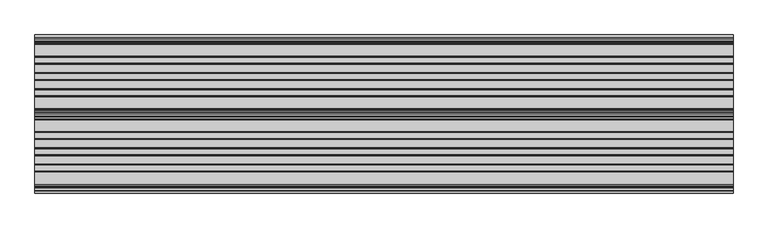
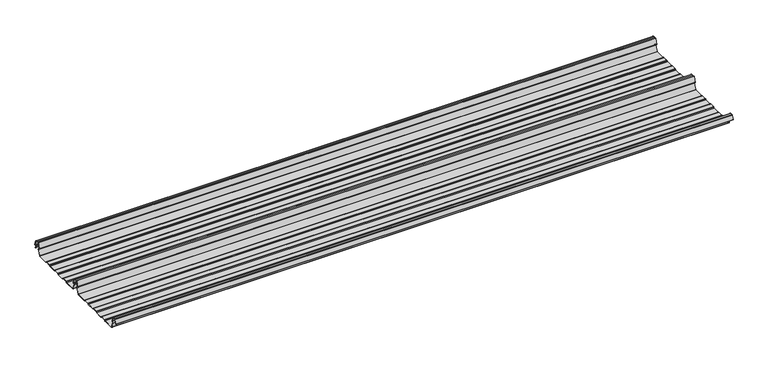
"""IFC4 building model written with IfcOpenShell, lengths in millimetres: beam geometry."""

from ifc_helpers import new_model, si_unit, point, frame, frame_2d, origin, place, context, project, spatial, polyline, circle_curve, trimmed, segment, composite_curve, outline, extrude, source, transform, mapped, element, save


def beam_aa751fea(model_context):
    return source(origin(), model_context, "Body", "SweptSolid", [
        extrude(outline(composite_curve([segment(trimmed(circle_curve(frame_2d((-231.1362436, -24.0396475)), 1.75), [point((-231.1362436, -25.7896475))], [point((-232.7807057, -24.6381827))], False, "CARTESIAN"), True, "CONTINUOUS"), segment(polyline([(-232.7807057, -24.6381827), (-241.6888002, -2.1633943)]), True, "CONTINUOUS"), segment(trimmed(circle_curve(frame_2d((-240.0443381, -1.5648591)), 1.75), [point((-241.6888002, -2.1633943))], [point((-240.4972714, 0.1255111))], False, "CARTESIAN"), True, "CONTINUOUS"), segment(polyline([(-240.4972714, 0.1255111), (-237.8419476, 0.837003)]), True, "CONTINUOUS"), segment(trimmed(circle_curve(frame_2d((-238.1654714, 2.0444103)), 1.25), [point((-237.8419476, 0.837003))], [point((-236.9908556, 2.4719355))], True, "CARTESIAN"), True, "CONTINUOUS"), segment(polyline([(-236.9908556, 2.4719355), (-243.8110817, 21.2103525), (-250.0, 21.2103525), (-256.1889183, 21.2103525), (-263.0091444, 2.4719355)]), True, "CONTINUOUS"), segment(trimmed(circle_curve(frame_2d((-261.8345286, 2.0444103)), 1.25), [point((-263.0091444, 2.4719355))], [point((-262.1580524, 0.837003))], True, "CARTESIAN"), True, "CONTINUOUS"), segment(polyline([(-262.1580524, 0.837003), (-259.5027286, 0.1255111)]), True, "CONTINUOUS"), segment(trimmed(circle_curve(frame_2d((-259.9556619, -1.5648591)), 1.75), [point((-259.5027286, 0.1255111))], [point((-258.3111998, -2.1633943))], False, "CARTESIAN"), True, "CONTINUOUS"), segment(polyline([(-258.3111998, -2.1633943), (-267.2192943, -24.6381827)]), True, "CONTINUOUS"), segment(trimmed(circle_curve(frame_2d((-268.8637564, -24.0396475)), 1.75), [point((-267.2192943, -24.6381827))], [point((-268.8637564, -25.7896475))], False, "CARTESIAN"), True, "CONTINUOUS"), segment(polyline([(-268.8637564, -25.7896475), (-307.3786797, -25.7896475)]), True, "CONTINUOUS"), segment(trimmed(circle_curve(frame_2d((-307.3786797, -24.0396475)), 1.75), [point((-307.3786797, -25.7896475))], [point((-308.6161165, -25.2770843))], False, "CARTESIAN"), True, "CONTINUOUS"), segment(polyline([(-308.6161165, -25.2770843), (-310.7788845, -23.1143163)]), True, "CONTINUOUS"), segment(trimmed(circle_curve(frame_2d((-311.5627045, -23.8981363)), 1.1084889), [point((-310.7788845, -23.1143163))], [point((-311.5627045, -22.7896475))], True, "CARTESIAN"), True, "CONTINUOUS"), segment(polyline([(-311.5627045, -22.7896475), (-330.4372955, -22.7896475)]), True, "CONTINUOUS"), segment(trimmed(circle_curve(frame_2d((-330.4372955, -23.8981363)), 1.1084889), [point((-330.4372955, -22.7896475))], [point((-331.2211155, -23.1143163))], True, "CARTESIAN"), True, "CONTINUOUS"), segment(polyline([(-331.2211155, -23.1143163), (-333.3838835, -25.2770843)]), True, "CONTINUOUS"), segment(trimmed(circle_curve(frame_2d((-334.6213203, -24.0396475)), 1.75), [point((-333.3838835, -25.2770843))], [point((-334.6213203, -25.7896475))], False, "CARTESIAN"), True, "CONTINUOUS"), segment(polyline([(-334.6213203, -25.7896475), (-361.3786797, -25.7896475)]), True, "CONTINUOUS"), segment(trimmed(circle_curve(frame_2d((-361.3786797, -24.0396475)), 1.75), [point((-361.3786797, -25.7896475))], [point((-362.6161165, -25.2770843))], False, "CARTESIAN"), True, "CONTINUOUS"), segment(polyline([(-362.6161165, -25.2770843), (-364.7788845, -23.1143163)]), True, "CONTINUOUS"), segment(trimmed(circle_curve(frame_2d((-365.5627045, -23.8981363)), 1.1084889), [point((-364.7788845, -23.1143163))], [point((-365.5627045, -22.7896475))], True, "CARTESIAN"), True, "CONTINUOUS"), segment(polyline([(-365.5627045, -22.7896475), (-384.4372955, -22.7896475)]), True, "CONTINUOUS"), segment(trimmed(circle_curve(frame_2d((-384.4372955, -23.8981363)), 1.1084889), [point((-384.4372955, -22.7896475))], [point((-385.2211155, -23.1143163))], True, "CARTESIAN"), True, "CONTINUOUS"), segment(polyline([(-385.2211155, -23.1143163), (-387.3838835, -25.2770843)]), True, "CONTINUOUS"), segment(trimmed(circle_curve(frame_2d((-388.6213203, -24.0396475)), 1.75), [point((-387.3838835, -25.2770843))], [point((-388.6213203, -25.7896475))], False, "CARTESIAN"), True, "CONTINUOUS"), segment(polyline([(-388.6213203, -25.7896475), (-415.3786797, -25.7896475)]), True, "CONTINUOUS"), segment(trimmed(circle_curve(frame_2d((-415.3786797, -24.0396475)), 1.75), [point((-415.3786797, -25.7896475))], [point((-416.6161165, -25.2770843))], False, "CARTESIAN"), True, "CONTINUOUS"), segment(polyline([(-416.6161165, -25.2770843), (-418.7788845, -23.1143163)]), True, "CONTINUOUS"), segment(trimmed(circle_curve(frame_2d((-419.5627045, -23.8981363)), 1.1084889), [point((-418.7788845, -23.1143163))], [point((-419.5627045, -22.7896475))], True, "CARTESIAN"), True, "CONTINUOUS"), segment(polyline([(-419.5627045, -22.7896475), (-438.4372955, -22.7896475)]), True, "CONTINUOUS"), segment(trimmed(circle_curve(frame_2d((-438.4372955, -23.8981363)), 1.1084889), [point((-438.4372955, -22.7896475))], [point((-439.2211155, -23.1143163))], True, "CARTESIAN"), True, "CONTINUOUS"), segment(polyline([(-439.2211155, -23.1143163), (-441.3838835, -25.2770843)]), True, "CONTINUOUS"), segment(trimmed(circle_curve(frame_2d((-442.6213203, -24.0396475)), 1.75), [point((-441.3838835, -25.2770843))], [point((-442.6213203, -25.7896475))], False, "CARTESIAN"), True, "CONTINUOUS"), segment(polyline([(-442.6213203, -25.7896475), (-483.287616, -25.7896475)]), True, "CONTINUOUS"), segment(trimmed(circle_curve(frame_2d((-483.287616, -24.0396475)), 1.75), [point((-483.287616, -25.7896475))], [point((-484.8955882, -24.7302452))], False, "CARTESIAN"), True, "CONTINUOUS"), segment(polyline([(-484.8955882, -24.7302452), (-493.5565428, -2.8789816)]), True, "CONTINUOUS"), segment(trimmed(circle_curve(frame_2d((-490.0443381, -1.5648591)), 3.75), [point((-493.5565428, -2.8789816))], [point((-490.3464639, 2.1729504))], False, "CARTESIAN"), True, "CONTINUOUS"), segment(trimmed(circle_curve(frame_2d((-490.426413, 3.162057)), 0.9923325), [point((-490.3464639, 2.1729504))], [point((-489.4939255, 3.5014547))], True, "CARTESIAN"), True, "CONTINUOUS"), segment(polyline([(-489.4939255, 3.5014547), (-494.9720116, 18.5523727)]), True, "CONTINUOUS"), segment(trimmed(circle_curve(frame_2d((-495.9117043, 18.2103525)), 1.0), [point((-494.9720116, 18.5523727))], [point((-495.9117043, 19.2103525))], True, "CARTESIAN"), True, "CONTINUOUS"), segment(polyline([(-495.9117043, 19.2103525), (-504.0882957, 19.2103525)]), True, "CONTINUOUS"), segment(trimmed(circle_curve(frame_2d((-504.0882957, 18.2103525)), 1.0), [point((-504.0882957, 19.2103525))], [point((-505.0279884, 18.5523727))], True, "CARTESIAN"), True, "CONTINUOUS"), segment(polyline([(-505.0279884, 18.5523727), (-510.4799156, 3.5733257)]), True, "CONTINUOUS"), segment(trimmed(circle_curve(frame_2d((-510.9497619, 3.7443357)), 0.5), [point((-510.4799156, 3.5733257))], [point((-511.4196082, 3.9153458))], False, "CARTESIAN"), True, "CONTINUOUS"), segment(polyline([(-511.4196082, 3.9153458), (-505.967681, 18.8943928)]), True, "CONTINUOUS"), segment(trimmed(circle_curve(frame_2d((-504.0882957, 18.2103525)), 2.0), [point((-505.967681, 18.8943928))], [point((-504.0882957, 20.2103525))], False, "CARTESIAN"), True, "CONTINUOUS"), segment(polyline([(-504.0882957, 20.2103525), (-495.9117043, 20.2103525)]), True, "CONTINUOUS"), segment(trimmed(circle_curve(frame_2d((-495.9117043, 18.2103525)), 2.0), [point((-495.9117043, 20.2103525))], [point((-494.032319, 18.8943928))], False, "CARTESIAN"), True, "CONTINUOUS"), segment(polyline([(-494.032319, 18.8943928), (-488.5542329, 3.8434749)]), True, "CONTINUOUS"), segment(trimmed(circle_curve(frame_2d((-490.426413, 3.162057)), 1.9923325), [point((-488.5542329, 3.8434749))], [point((-490.265897, 1.1762012))], False, "CARTESIAN"), True, "CONTINUOUS"), segment(trimmed(circle_curve(frame_2d((-490.0443381, -1.5648591)), 2.75), [point((-490.265897, 1.1762012))], [point((-492.6230664, -2.5201915))], True, "CARTESIAN"), True, "CONTINUOUS"), segment(polyline([(-492.6230664, -2.5201915), (-483.9722515, -24.3458733)]), True, "CONTINUOUS"), segment(trimmed(circle_curve(frame_2d((-483.287616, -24.0396475)), 0.75), [point((-483.9722515, -24.3458733))], [point((-483.287616, -24.7896475))], True, "CARTESIAN"), True, "CONTINUOUS"), segment(polyline([(-483.287616, -24.7896475), (-442.7420401, -24.7896475)]), True, "CONTINUOUS"), segment(trimmed(circle_curve(frame_2d((-442.7420401, -23.7482041)), 1.0414433), [point((-442.7420401, -24.7896475))], [point((-442.0056285, -24.4846158))], True, "CARTESIAN"), True, "CONTINUOUS"), segment(polyline([(-442.0056285, -24.4846158), (-439.9696699, -22.4486572)]), True, "CONTINUOUS"), segment(trimmed(circle_curve(frame_2d((-438.3786797, -24.0396475)), 2.25), [point((-439.9696699, -22.4486572))], [point((-438.3786797, -21.7896475))], False, "CARTESIAN"), True, "CONTINUOUS"), segment(polyline([(-438.3786797, -21.7896475), (-419.6213203, -21.7896475)]), True, "CONTINUOUS"), segment(trimmed(circle_curve(frame_2d((-419.6213203, -24.0396475)), 2.25), [point((-419.6213203, -21.7896475))], [point((-418.0303301, -22.4486572))], False, "CARTESIAN"), True, "CONTINUOUS"), segment(polyline([(-418.0303301, -22.4486572), (-415.9943715, -24.4846158)]), True, "CONTINUOUS"), segment(trimmed(circle_curve(frame_2d((-415.2579599, -23.7482041)), 1.0414433), [point((-415.9943715, -24.4846158))], [point((-415.2579599, -24.7896475))], True, "CARTESIAN"), True, "CONTINUOUS"), segment(polyline([(-415.2579599, -24.7896475), (-388.7420401, -24.7896475)]), True, "CONTINUOUS"), segment(trimmed(circle_curve(frame_2d((-388.7420401, -23.7482041)), 1.0414433), [point((-388.7420401, -24.7896475))], [point((-388.0056285, -24.4846158))], True, "CARTESIAN"), True, "CONTINUOUS"), segment(polyline([(-388.0056285, -24.4846158), (-385.9696699, -22.4486572)]), True, "CONTINUOUS"), segment(trimmed(circle_curve(frame_2d((-384.3786797, -24.0396475)), 2.25), [point((-385.9696699, -22.4486572))], [point((-384.3786797, -21.7896475))], False, "CARTESIAN"), True, "CONTINUOUS"), segment(polyline([(-384.3786797, -21.7896475), (-365.6213203, -21.7896475)]), True, "CONTINUOUS"), segment(trimmed(circle_curve(frame_2d((-365.6213203, -24.0396475)), 2.25), [point((-365.6213203, -21.7896475))], [point((-364.0303301, -22.4486572))], False, "CARTESIAN"), True, "CONTINUOUS"), segment(polyline([(-364.0303301, -22.4486572), (-361.9943715, -24.4846158)]), True, "CONTINUOUS"), segment(trimmed(circle_curve(frame_2d((-361.2579599, -23.7482041)), 1.0414433), [point((-361.9943715, -24.4846158))], [point((-361.2579599, -24.7896475))], True, "CARTESIAN"), True, "CONTINUOUS"), segment(polyline([(-361.2579599, -24.7896475), (-334.7420401, -24.7896475)]), True, "CONTINUOUS"), segment(trimmed(circle_curve(frame_2d((-334.7420401, -23.7482041)), 1.0414433), [point((-334.7420401, -24.7896475))], [point((-334.0056285, -24.4846158))], True, "CARTESIAN"), True, "CONTINUOUS"), segment(polyline([(-334.0056285, -24.4846158), (-331.9696699, -22.4486572)]), True, "CONTINUOUS"), segment(trimmed(circle_curve(frame_2d((-330.3786797, -24.0396475)), 2.25), [point((-331.9696699, -22.4486572))], [point((-330.3786797, -21.7896475))], False, "CARTESIAN"), True, "CONTINUOUS"), segment(polyline([(-330.3786797, -21.7896475), (-311.6213203, -21.7896475)]), True, "CONTINUOUS"), segment(trimmed(circle_curve(frame_2d((-311.6213203, -24.0396475)), 2.25), [point((-311.6213203, -21.7896475))], [point((-310.0303301, -22.4486572))], False, "CARTESIAN"), True, "CONTINUOUS"), segment(polyline([(-310.0303301, -22.4486572), (-307.9943715, -24.4846158)]), True, "CONTINUOUS"), segment(trimmed(circle_curve(frame_2d((-307.2579599, -23.7482041)), 1.0414433), [point((-307.9943715, -24.4846158))], [point((-307.2579599, -24.7896475))], True, "CARTESIAN"), True, "CONTINUOUS"), segment(polyline([(-307.2579599, -24.7896475), (-268.8637564, -24.7896475)]), True, "CONTINUOUS"), segment(trimmed(circle_curve(frame_2d((-268.8637564, -24.0396475)), 0.75), [point((-268.8637564, -24.7896475))], [point((-268.1552359, -24.2856122))], True, "CARTESIAN"), True, "CONTINUOUS"), segment(polyline([(-268.1552359, -24.2856122), (-259.2471414, -1.8108238)]), True, "CONTINUOUS"), segment(trimmed(circle_curve(frame_2d((-259.9556619, -1.5648591)), 0.75), [point((-259.2471414, -1.8108238))], [point((-259.7615476, -0.8404147))], True, "CARTESIAN"), True, "CONTINUOUS"), segment(polyline([(-259.7615476, -0.8404147), (-262.4168715, -0.1289228)]), True, "CONTINUOUS"), segment(trimmed(circle_curve(frame_2d((-261.8345286, 2.0444103)), 2.25), [point((-262.4168715, -0.1289228))], [point((-263.948837, 2.8139556))], False, "CARTESIAN"), True, "CONTINUOUS"), segment(polyline([(-263.948837, 2.8139556), (-257.1273286, 21.5558959)]), True, "CONTINUOUS"), segment(trimmed(circle_curve(frame_2d((-256.1926676, 21.2157071)), 0.9946455), [point((-257.1273286, 21.5558959))], [point((-256.1926676, 22.2103525))], False, "CARTESIAN"), True, "CONTINUOUS"), segment(polyline([(-256.1926676, 22.2103525), (-250.0, 22.2103525), (-243.8073324, 22.2103525)]), True, "CONTINUOUS"), segment(trimmed(circle_curve(frame_2d((-243.8073324, 21.2157071)), 0.9946455), [point((-243.8073324, 22.2103525))], [point((-242.8726714, 21.5558959))], False, "CARTESIAN"), True, "CONTINUOUS"), segment(polyline([(-242.8726714, 21.5558959), (-236.051163, 2.8139556)]), True, "CONTINUOUS"), segment(trimmed(circle_curve(frame_2d((-238.1654714, 2.0444103)), 2.25), [point((-236.051163, 2.8139556))], [point((-237.5831285, -0.1289228))], False, "CARTESIAN"), True, "CONTINUOUS"), segment(polyline([(-237.5831285, -0.1289228), (-240.2384524, -0.8404147)]), True, "CONTINUOUS"), segment(trimmed(circle_curve(frame_2d((-240.0443381, -1.5648591)), 0.75), [point((-240.2384524, -0.8404147))], [point((-240.7528586, -1.8108238))], True, "CARTESIAN"), True, "CONTINUOUS"), segment(polyline([(-240.7528586, -1.8108238), (-231.8447641, -24.2856122)]), True, "CONTINUOUS"), segment(trimmed(circle_curve(frame_2d((-231.1362436, -24.0396475)), 0.75), [point((-231.8447641, -24.2856122))], [point((-231.1362436, -24.7896475))], True, "CARTESIAN"), True, "CONTINUOUS"), segment(polyline([(-231.1362436, -24.7896475), (-192.7420401, -24.7896475)]), True, "CONTINUOUS"), segment(trimmed(circle_curve(frame_2d((-192.7420401, -23.7482041)), 1.0414433), [point((-192.7420401, -24.7896475))], [point((-192.0056285, -24.4846158))], True, "CARTESIAN"), True, "CONTINUOUS"), segment(polyline([(-192.0056285, -24.4846158), (-189.9696699, -22.4486572)]), True, "CONTINUOUS"), segment(trimmed(circle_curve(frame_2d((-188.3786797, -24.0396475)), 2.25), [point((-189.9696699, -22.4486572))], [point((-188.3786797, -21.7896475))], False, "CARTESIAN"), True, "CONTINUOUS"), segment(polyline([(-188.3786797, -21.7896475), (-169.6213203, -21.7896475)]), True, "CONTINUOUS"), segment(trimmed(circle_curve(frame_2d((-169.6213203, -24.0396475)), 2.25), [point((-169.6213203, -21.7896475))], [point((-168.0303301, -22.4486572))], False, "CARTESIAN"), True, "CONTINUOUS"), segment(polyline([(-168.0303301, -22.4486572), (-165.9943715, -24.4846158)]), True, "CONTINUOUS"), segment(trimmed(circle_curve(frame_2d((-165.2579599, -23.7482041)), 1.0414433), [point((-165.9943715, -24.4846158))], [point((-165.2579599, -24.7896475))], True, "CARTESIAN"), True, "CONTINUOUS"), segment(polyline([(-165.2579599, -24.7896475), (-138.7420401, -24.7896475)]), True, "CONTINUOUS"), segment(trimmed(circle_curve(frame_2d((-138.7420401, -23.7482041)), 1.0414433), [point((-138.7420401, -24.7896475))], [point((-138.0056285, -24.4846158))], True, "CARTESIAN"), True, "CONTINUOUS"), segment(polyline([(-138.0056285, -24.4846158), (-135.9696699, -22.4486572)]), True, "CONTINUOUS"), segment(trimmed(circle_curve(frame_2d((-134.3786797, -24.0396475)), 2.25), [point((-135.9696699, -22.4486572))], [point((-134.3786797, -21.7896475))], False, "CARTESIAN"), True, "CONTINUOUS"), segment(polyline([(-134.3786797, -21.7896475), (-115.6213203, -21.7896475)]), True, "CONTINUOUS"), segment(trimmed(circle_curve(frame_2d((-115.6213203, -24.0396475)), 2.25), [point((-115.6213203, -21.7896475))], [point((-114.0303301, -22.4486572))], False, "CARTESIAN"), True, "CONTINUOUS"), segment(polyline([(-114.0303301, -22.4486572), (-111.9943715, -24.4846158)]), True, "CONTINUOUS"), segment(trimmed(circle_curve(frame_2d((-111.2579599, -23.7482041)), 1.0414433), [point((-111.9943715, -24.4846158))], [point((-111.2579599, -24.7896475))], True, "CARTESIAN"), True, "CONTINUOUS"), segment(polyline([(-111.2579599, -24.7896475), (-84.7420401, -24.7896475)]), True, "CONTINUOUS"), segment(trimmed(circle_curve(frame_2d((-84.7420401, -23.7482041)), 1.0414433), [point((-84.7420401, -24.7896475))], [point((-84.0056285, -24.4846158))], True, "CARTESIAN"), True, "CONTINUOUS"), segment(polyline([(-84.0056285, -24.4846158), (-81.9696699, -22.4486572)]), True, "CONTINUOUS"), segment(trimmed(circle_curve(frame_2d((-80.3786797, -24.0396475)), 2.25), [point((-81.9696699, -22.4486572))], [point((-80.3786797, -21.7896475))], False, "CARTESIAN"), True, "CONTINUOUS"), segment(polyline([(-80.3786797, -21.7896475), (-61.6213203, -21.7896475)]), True, "CONTINUOUS"), segment(trimmed(circle_curve(frame_2d((-61.6213203, -24.0396475)), 2.25), [point((-61.6213203, -21.7896475))], [point((-60.0303301, -22.4486572))], False, "CARTESIAN"), True, "CONTINUOUS"), segment(polyline([(-60.0303301, -22.4486572), (-57.9943715, -24.4846158)]), True, "CONTINUOUS"), segment(trimmed(circle_curve(frame_2d((-57.2579599, -23.7482041)), 1.0414433), [point((-57.9943715, -24.4846158))], [point((-57.2579599, -24.7896475))], True, "CARTESIAN"), True, "CONTINUOUS"), segment(polyline([(-57.2579599, -24.7896475), (-18.8637564, -24.7896475)]), True, "CONTINUOUS"), segment(trimmed(circle_curve(frame_2d((-18.8637564, -24.0396475)), 0.75), [point((-18.8637564, -24.7896475))], [point((-18.1552359, -24.2856122))], True, "CARTESIAN"), True, "CONTINUOUS"), segment(polyline([(-18.1552359, -24.2856122), (-9.2471414, -1.8108238)]), True, "CONTINUOUS"), segment(trimmed(circle_curve(frame_2d((-9.9556619, -1.5648591)), 0.75), [point((-9.2471414, -1.8108238))], [point((-9.7615476, -0.8404147))], True, "CARTESIAN"), True, "CONTINUOUS"), segment(polyline([(-9.7615476, -0.8404147), (-12.4168715, -0.1289228)]), True, "CONTINUOUS"), segment(trimmed(circle_curve(frame_2d((-11.8345286, 2.0444103)), 2.25), [point((-12.4168715, -0.1289228))], [point((-13.948837, 2.8139556))], False, "CARTESIAN"), True, "CONTINUOUS"), segment(polyline([(-13.948837, 2.8139556), (-7.1273286, 21.5558959)]), True, "CONTINUOUS"), segment(trimmed(circle_curve(frame_2d((-6.1926676, 21.2157071)), 0.9946455), [point((-7.1273286, 21.5558959))], [point((-6.1926676, 22.2103525))], False, "CARTESIAN"), True, "CONTINUOUS"), segment(polyline([(-6.1926676, 22.2103525), (0.0, 22.2103525), (6.1926676, 22.2103525)]), True, "CONTINUOUS"), segment(trimmed(circle_curve(frame_2d((6.1926676, 21.2157071)), 0.9946455), [point((6.1926676, 22.2103525))], [point((7.1273286, 21.5558959))], False, "CARTESIAN"), True, "CONTINUOUS"), segment(polyline([(7.1273286, 21.5558959), (13.948837, 2.8139556)]), True, "CONTINUOUS"), segment(trimmed(circle_curve(frame_2d((11.8345286, 2.0444103)), 2.25), [point((13.948837, 2.8139556))], [point((12.4168715, -0.1289228))], False, "CARTESIAN"), True, "CONTINUOUS"), segment(polyline([(12.4168715, -0.1289228), (9.7615476, -0.8404147)]), True, "CONTINUOUS"), segment(trimmed(circle_curve(frame_2d((9.9556619, -1.5648591)), 0.75), [point((9.7615476, -0.8404147))], [point((9.2471414, -1.8108238))], True, "CARTESIAN"), True, "CONTINUOUS"), segment(polyline([(9.2471414, -1.8108238), (12.5127954, -10.0499465)]), True, "CONTINUOUS"), segment(trimmed(circle_curve(frame_2d((12.0479758, -10.2341821)), 0.5), [point((12.5127954, -10.0499465))], [point((11.5831563, -10.4184177))], False, "CARTESIAN"), True, "CONTINUOUS"), segment(polyline([(11.5831563, -10.4184177), (8.3111998, -2.1633943)]), True, "CONTINUOUS"), segment(trimmed(circle_curve(frame_2d((9.9556619, -1.5648591)), 1.75), [point((8.3111998, -2.1633943))], [point((9.5027286, 0.1255111))], False, "CARTESIAN"), True, "CONTINUOUS"), segment(polyline([(9.5027286, 0.1255111), (12.1580524, 0.837003)]), True, "CONTINUOUS"), segment(trimmed(circle_curve(frame_2d((11.8345286, 2.0444103)), 1.25), [point((12.1580524, 0.837003))], [point((13.0091444, 2.4719355))], True, "CARTESIAN"), True, "CONTINUOUS"), segment(polyline([(13.0091444, 2.4719355), (6.1889183, 21.2103525), (0.0, 21.2103525), (-6.1889183, 21.2103525), (-13.0091444, 2.4719355)]), True, "CONTINUOUS"), segment(trimmed(circle_curve(frame_2d((-11.8345286, 2.0444103)), 1.25), [point((-13.0091444, 2.4719355))], [point((-12.1580524, 0.837003))], True, "CARTESIAN"), True, "CONTINUOUS"), segment(polyline([(-12.1580524, 0.837003), (-9.5027286, 0.1255111)]), True, "CONTINUOUS"), segment(trimmed(circle_curve(frame_2d((-9.9556619, -1.5648591)), 1.75), [point((-9.5027286, 0.1255111))], [point((-8.3111998, -2.1633943))], False, "CARTESIAN"), True, "CONTINUOUS"), segment(polyline([(-8.3111998, -2.1633943), (-17.2192943, -24.6381827)]), True, "CONTINUOUS"), segment(trimmed(circle_curve(frame_2d((-18.8637564, -24.0396475)), 1.75), [point((-17.2192943, -24.6381827))], [point((-18.8637564, -25.7896475))], False, "CARTESIAN"), True, "CONTINUOUS"), segment(polyline([(-18.8637564, -25.7896475), (-57.3786797, -25.7896475)]), True, "CONTINUOUS"), segment(trimmed(circle_curve(frame_2d((-57.3786797, -24.0396475)), 1.75), [point((-57.3786797, -25.7896475))], [point((-58.6161165, -25.2770843))], False, "CARTESIAN"), True, "CONTINUOUS"), segment(polyline([(-58.6161165, -25.2770843), (-60.7788845, -23.1143163)]), True, "CONTINUOUS"), segment(trimmed(circle_curve(frame_2d((-61.5627045, -23.8981363)), 1.1084889), [point((-60.7788845, -23.1143163))], [point((-61.5627045, -22.7896475))], True, "CARTESIAN"), True, "CONTINUOUS"), segment(polyline([(-61.5627045, -22.7896475), (-80.4372955, -22.7896475)]), True, "CONTINUOUS"), segment(trimmed(circle_curve(frame_2d((-80.4372955, -23.8981363)), 1.1084889), [point((-80.4372955, -22.7896475))], [point((-81.2211155, -23.1143163))], True, "CARTESIAN"), True, "CONTINUOUS"), segment(polyline([(-81.2211155, -23.1143163), (-83.3838835, -25.2770843)]), True, "CONTINUOUS"), segment(trimmed(circle_curve(frame_2d((-84.6213203, -24.0396475)), 1.75), [point((-83.3838835, -25.2770843))], [point((-84.6213203, -25.7896475))], False, "CARTESIAN"), True, "CONTINUOUS"), segment(polyline([(-84.6213203, -25.7896475), (-111.3786797, -25.7896475)]), True, "CONTINUOUS"), segment(trimmed(circle_curve(frame_2d((-111.3786797, -24.0396475)), 1.75), [point((-111.3786797, -25.7896475))], [point((-112.6161165, -25.2770843))], False, "CARTESIAN"), True, "CONTINUOUS"), segment(polyline([(-112.6161165, -25.2770843), (-114.7788845, -23.1143163)]), True, "CONTINUOUS"), segment(trimmed(circle_curve(frame_2d((-115.5627045, -23.8981363)), 1.1084889), [point((-114.7788845, -23.1143163))], [point((-115.5627045, -22.7896475))], True, "CARTESIAN"), True, "CONTINUOUS"), segment(polyline([(-115.5627045, -22.7896475), (-134.4372955, -22.7896475)]), True, "CONTINUOUS"), segment(trimmed(circle_curve(frame_2d((-134.4372955, -23.8981363)), 1.1084889), [point((-134.4372955, -22.7896475))], [point((-135.2211155, -23.1143163))], True, "CARTESIAN"), True, "CONTINUOUS"), segment(polyline([(-135.2211155, -23.1143163), (-137.3838835, -25.2770843)]), True, "CONTINUOUS"), segment(trimmed(circle_curve(frame_2d((-138.6213203, -24.0396475)), 1.75), [point((-137.3838835, -25.2770843))], [point((-138.6213203, -25.7896475))], False, "CARTESIAN"), True, "CONTINUOUS"), segment(polyline([(-138.6213203, -25.7896475), (-165.3786797, -25.7896475)]), True, "CONTINUOUS"), segment(trimmed(circle_curve(frame_2d((-165.3786797, -24.0396475)), 1.75), [point((-165.3786797, -25.7896475))], [point((-166.6161165, -25.2770843))], False, "CARTESIAN"), True, "CONTINUOUS"), segment(polyline([(-166.6161165, -25.2770843), (-168.7788845, -23.1143163)]), True, "CONTINUOUS"), segment(trimmed(circle_curve(frame_2d((-169.5627045, -23.8981363)), 1.1084889), [point((-168.7788845, -23.1143163))], [point((-169.5627045, -22.7896475))], True, "CARTESIAN"), True, "CONTINUOUS"), segment(polyline([(-169.5627045, -22.7896475), (-188.4372955, -22.7896475)]), True, "CONTINUOUS"), segment(trimmed(circle_curve(frame_2d((-188.4372955, -23.8981363)), 1.1084889), [point((-188.4372955, -22.7896475))], [point((-189.2211155, -23.1143163))], True, "CARTESIAN"), True, "CONTINUOUS"), segment(polyline([(-189.2211155, -23.1143163), (-191.3838835, -25.2770843)]), True, "CONTINUOUS"), segment(trimmed(circle_curve(frame_2d((-192.6213203, -24.0396475)), 1.75), [point((-191.3838835, -25.2770843))], [point((-192.6213203, -25.7896475))], False, "CARTESIAN"), True, "CONTINUOUS"), segment(polyline([(-192.6213203, -25.7896475), (-231.1362436, -25.7896475)]), True, "CONTINUOUS")], self_intersect=False)), frame((-1159.9277019, 0.0, 0.0), z_axis=(1.0, 0.0, 0.0), x_axis=(0.0, 1.0, 0.0)), (0.0, 0.0, 1.0), 2319.8554037),
    ])


if __name__ == "__main__":
    model = new_model("IFC4")
    model_context = context("Model", 3, world=origin())
    ifc_project = project(units=[si_unit("LENGTHUNIT", "METRE", prefix="MILLI")], contexts=[model_context])
    site = spatial("IfcSite", under=ifc_project)
    building = spatial("IfcBuilding", under=site)
    placement = place(None, origin())
    beam_shape = beam_aa751fea(model_context)
    element("IfcBeam", 1, at=placement, inside=building, context=model_context, shape_type="MappedRepresentation", body=[
        mapped(beam_shape, transform((0.0, 0.0, 0.0), x_axis=(1.0, 0.0, 0.0), y_axis=(0.0, 1.0, 0.0), z_axis=(0.0, 0.0, 1.0))),
    ])
    save(model, "model.ifc")
